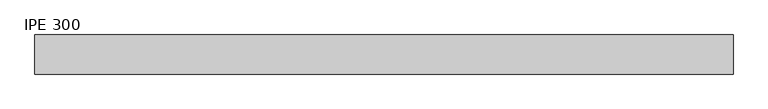
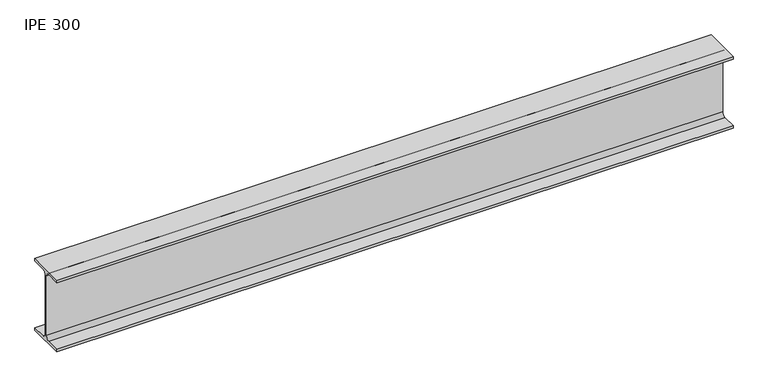
"""IFC4 building model written with IfcOpenShell, lengths in millimetres: beam geometry, IPE 300."""

from ifc_helpers import new_model, si_unit, point, frame, frame_2d, origin, place, context, project, spatial, polyline, circle_curve, trimmed, segment, composite_curve, outline, extrude, source, transform, mapped, element, save


def ipe_300_8d54fe13(model_context):
    return source(origin(), model_context, "Body", "SweptSolid", [
        extrude(outline(composite_curve([segment(polyline([(75.0, -139.3), (75.0, -150.0), (-75.0, -150.0), (-75.0, -139.3), (-18.55, -139.3)]), True, "CONTINUOUS"), segment(trimmed(circle_curve(frame_2d((-18.55, -124.3)), 15.0), [point((-18.55, -139.3))], [point((-3.55, -124.3))], True, "CARTESIAN"), True, "CONTINUOUS"), segment(polyline([(-3.55, -124.3), (-3.55, 124.3)]), True, "CONTINUOUS"), segment(trimmed(circle_curve(frame_2d((-18.55, 124.3)), 15.0), [point((-3.55, 124.3))], [point((-18.55, 139.3))], True, "CARTESIAN"), True, "CONTINUOUS"), segment(polyline([(-18.55, 139.3), (-75.0, 139.3), (-75.0, 150.0), (75.0, 150.0), (75.0, 139.3), (18.55, 139.3)]), True, "CONTINUOUS"), segment(trimmed(circle_curve(frame_2d((18.55, 124.3)), 15.0), [point((18.55, 139.3))], [point((3.55, 124.3))], True, "CARTESIAN"), True, "CONTINUOUS"), segment(polyline([(3.55, 124.3), (3.55, -124.3)]), True, "CONTINUOUS"), segment(trimmed(circle_curve(frame_2d((18.55, -124.3)), 15.0), [point((3.55, -124.3))], [point((18.55, -139.3))], True, "CARTESIAN"), True, "CONTINUOUS"), segment(polyline([(18.55, -139.3), (75.0, -139.3)]), True, "CONTINUOUS")], self_intersect=False)), frame((-1337.3, 0.0, 0.0), z_axis=(1.0, 0.0, 0.0), x_axis=(0.0, 1.0, 0.0)), (0.0, 0.0, 1.0), 2674.6),
    ])


if __name__ == "__main__":
    model = new_model("IFC4")
    model_context = context("Model", 3, world=origin())
    ifc_project = project(units=[si_unit("LENGTHUNIT", "METRE", prefix="MILLI")], contexts=[model_context])
    site = spatial("IfcSite", under=ifc_project)
    building = spatial("IfcBuilding", under=site)
    placement = place(None, origin())
    ipe_300_shape = ipe_300_8d54fe13(model_context)
    element("IfcBeam", 1, ObjectType="IPE 300", at=placement, inside=building, context=model_context, shape_type="MappedRepresentation", body=[
        mapped(ipe_300_shape, transform((0.0, 0.0, 0.0), x_axis=(1.0, 0.0, 0.0), y_axis=(0.0, 1.0, 0.0), z_axis=(0.0, 0.0, 1.0))),
    ])
    save(model, "model.ifc")
